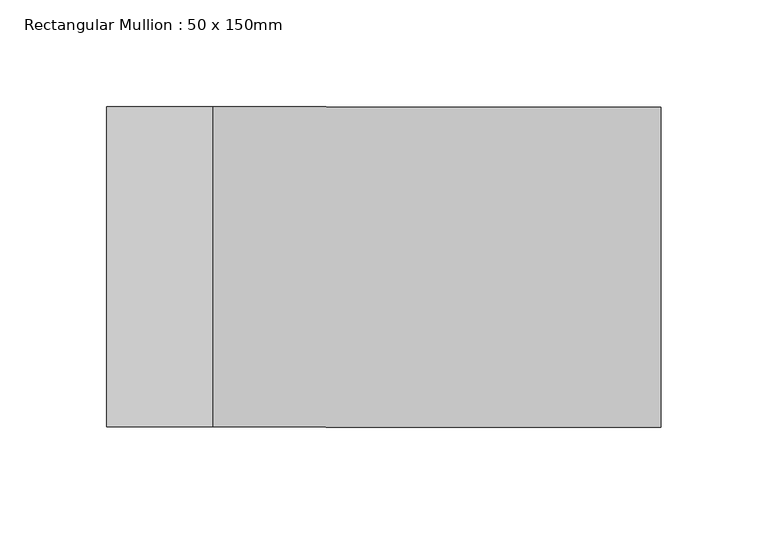
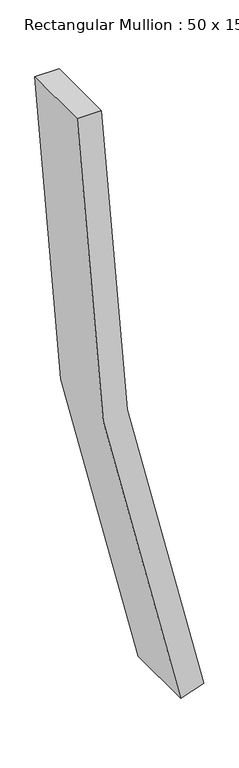
"""IFC4 building model written with IfcOpenShell, lengths in millimetres: member geometry, Rectangular Mullion : 50 x 150mm."""

from ifc_helpers import new_model, si_unit, point, frame, frame_2d, origin, place, context, project, spatial, polyline, circle_curve, trimmed, segment, composite_curve, outline, extrude, source, transform, mapped, element, save


def rectangular_mullion_50_x_150mm_6bf165a3(model_context):
    return source(origin(), model_context, "Body", "SweptSolid", [
        extrude(outline(composite_curve([segment(trimmed(circle_curve(frame_2d((0.0, 4238.8725831)), 4238.8725831), [point((-1317.4250742, 209.9233467))], [point((0.0, 0.0))], True, "CARTESIAN"), True, "CONTINUOUS"), segment(polyline([(0.0, 0.0), (0.0, -50.0)]), True, "CONTINUOUS"), segment(trimmed(circle_curve(frame_2d((0.0, 4238.8725831)), 4288.8725831), [point((0.0, -50.0))], [point((-1332.9648793, 162.3995163))], False, "CARTESIAN"), True, "CONTINUOUS"), segment(polyline([(-1332.9648793, 162.3995163), (-1317.4250742, 209.9233467)]), True, "CONTINUOUS")], self_intersect=False)), frame((0.0, -75.0, 0.0), z_axis=(0.0, 1.0, 0.0), x_axis=(0.0, 0.0, 1.0)), (0.0, 0.0, 1.0), 150.0),
    ])


if __name__ == "__main__":
    model = new_model("IFC4")
    model_context = context("Model", 3, world=origin())
    ifc_project = project(units=[si_unit("LENGTHUNIT", "METRE", prefix="MILLI")], contexts=[model_context])
    site = spatial("IfcSite", under=ifc_project)
    building = spatial("IfcBuilding", under=site)
    placement = place(None, origin())
    rectangular_mullion_50_x_150mm_shape = rectangular_mullion_50_x_150mm_6bf165a3(model_context)
    element("IfcMember", 1, ObjectType="Rectangular Mullion : 50 x 150mm", at=placement, inside=building, context=model_context, shape_type="MappedRepresentation", body=[
        mapped(rectangular_mullion_50_x_150mm_shape, transform((0.0, 0.0, 0.0), x_axis=(1.0, 0.0, 0.0), y_axis=(0.0, 1.0, 0.0), z_axis=(0.0, 0.0, 1.0))),
    ])
    save(model, "model.ifc")
